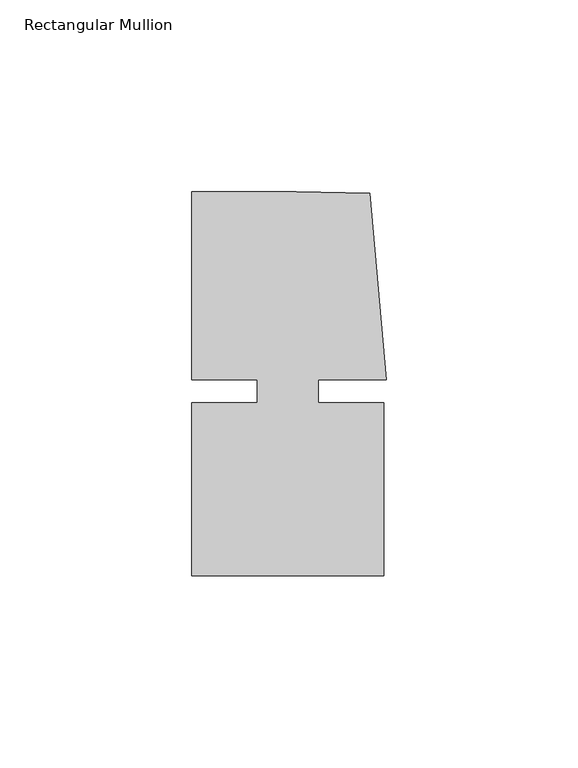
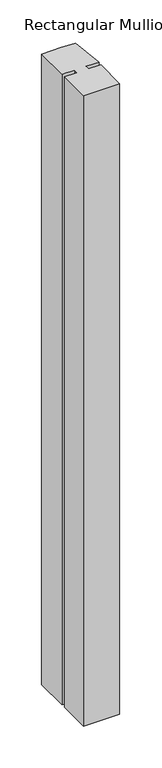
"""IFC4 building model written with IfcOpenShell, lengths in millimetres: member geometry, Rectangular Mullion."""

from ifc_helpers import new_model, si_unit, frame, origin, place, context, project, spatial, polyline, outline, extrude, source, transform, mapped, element, save


def rectangular_mullion_380ab1c2(model_context):
    return source(origin(), model_context, "Body", "SweptSolid", [
        extrude(outline(polyline([(8.0004917, -3.0000287), (25.00003, -3.0000271), (25.0000344, -48.0000271), (-24.9999656, -48.000032), (-24.99997, -3.000032), (-8.0004317, -3.0000303), (-8.0004323, 2.999987), (-24.9999706, 2.9999853), (-24.9999754, 51.999968), (2.2554581, 51.9999707), (21.3623265, 51.5846059), (25.6129344, 2.9999903), (8.0004911, 2.9999885), (8.0004917, -3.0000287)])), frame((0.0, 0.0, -919.2839882), z_axis=(0.0, 0.0, 1.0), x_axis=(1.0, 0.0, 0.0)), (0.0, 0.0, 1.0), 919.2839882),
    ])


if __name__ == "__main__":
    model = new_model("IFC4")
    model_context = context("Model", 3, world=origin())
    ifc_project = project(units=[si_unit("LENGTHUNIT", "METRE", prefix="MILLI")], contexts=[model_context])
    site = spatial("IfcSite", under=ifc_project)
    building = spatial("IfcBuilding", under=site)
    placement = place(None, origin())
    rectangular_mullion_shape = rectangular_mullion_380ab1c2(model_context)
    element("IfcMember", 1, ObjectType="Rectangular Mullion", at=placement, inside=building, context=model_context, shape_type="MappedRepresentation", body=[
        mapped(rectangular_mullion_shape, transform((0.0, 0.0, 0.0), x_axis=(1.0, 0.0, 0.0), y_axis=(0.0, 1.0, 0.0), z_axis=(0.0, 0.0, 1.0))),
    ])
    save(model, "model.ifc")
